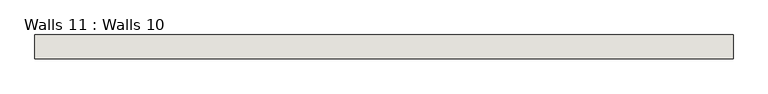
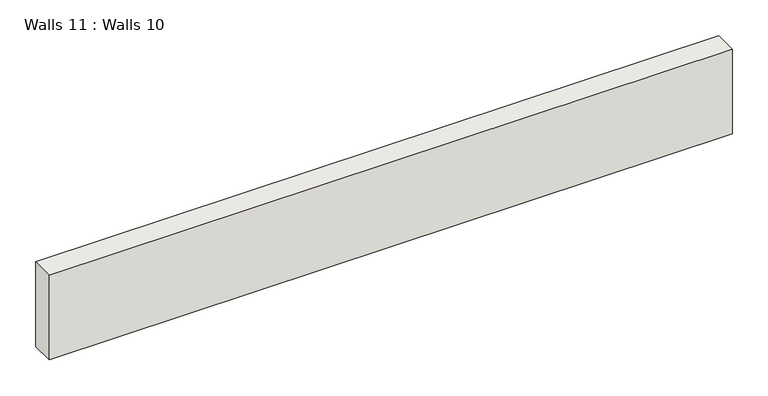
"""IFC4 building model written with IfcOpenShell, lengths in millimetres: wall geometry, Walls 11 : Walls 10."""

from ifc_helpers import new_model, si_unit, frame, origin, place, context, project, spatial, polyline, outline, extrude, source, transform, mapped, element, save


def walls_11_walls_10_91510f40(model_context):
    return source(origin(), model_context, "Body", "SweptSolid", [
        extrude(outline(polyline([(-9334.9324444, 39317.2245636), (-8226.0507307, 39317.2245636), (-8226.0507307, 39279.1245636), (-9334.9324444, 39279.1245636), (-9334.9324444, 39317.2245636)])), frame((0.0, 0.0, -5905.0144606), z_axis=(0.0, 0.0, 1.0), x_axis=(1.0, 0.0, 0.0)), (0.0, 0.0, 1.0), 145.2646393),
    ])


if __name__ == "__main__":
    model = new_model("IFC4")
    model_context = context("Model", 3, world=origin())
    ifc_project = project(units=[si_unit("LENGTHUNIT", "METRE", prefix="MILLI")], contexts=[model_context])
    site = spatial("IfcSite", under=ifc_project)
    building = spatial("IfcBuilding", under=site)
    placement = place(None, origin())
    walls_11_walls_10_shape = walls_11_walls_10_91510f40(model_context)
    element("IfcWall", 1, ObjectType="Walls 11 : Walls 10", at=placement, inside=building, context=model_context, shape_type="MappedRepresentation", body=[
        mapped(walls_11_walls_10_shape, transform((0.0, 0.0, 0.0), x_axis=(1.0, 0.0, 0.0), y_axis=(0.0, 1.0, 0.0), z_axis=(0.0, 0.0, 1.0))),
    ])
    save(model, "model.ifc")
